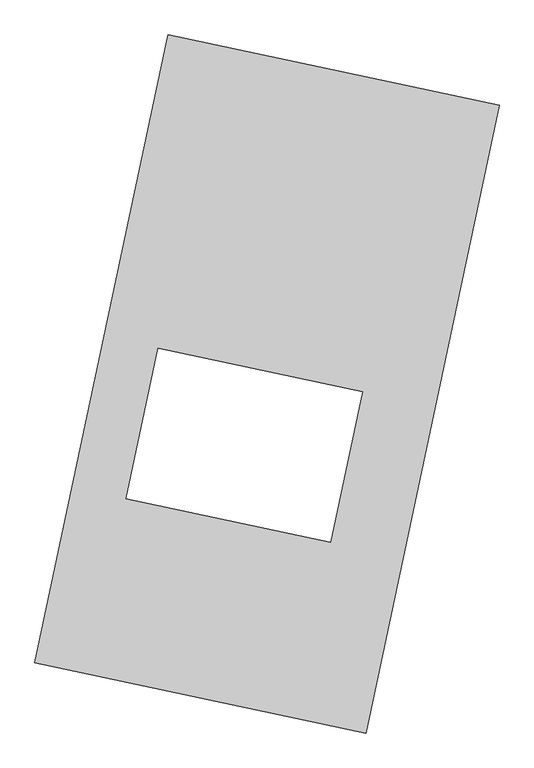
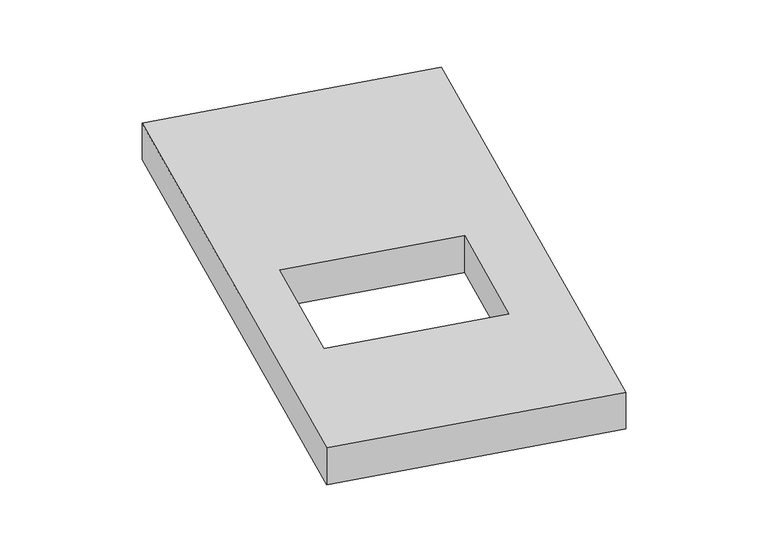
"""IFC4 building model written with IfcOpenShell, lengths in millimetres: proxy geometry."""

import ifcopenshell
import ifcopenshell.guid

model = None  # the IFC model being written
_history = None  # IfcOwnerHistory: only IFC2X3 demands one
_inside = {}  # id of a spatial element -> (the spatial element, [elements in it])
_under = {}  # id of a project, library or spatial element -> (it, [spatial elements below it])
_declared = {}  # id of a project -> (the project, [libraries it declares])
_typed = {}  # id of a type object -> (the type object, [elements of that type])
_made_of = {}  # id of a material, layer set ... -> (it, [elements and type objects made of it])


def new_model(schema):
    """Start an empty IFC model of exactly this schema.

    Asked for "IFC4X3", IfcOpenShell would pick the latest addendum, in which some entities
    have other attributes; the version numbers below select the first issue.
    IFC2X3 requires an IfcOwnerHistory on every rooted entity: one is made here for all.
    """
    global model, _history
    if schema == "IFC4X3":
        model = ifcopenshell.file(schema_version=(4, 3, 0, 0))
    else:
        model = ifcopenshell.file(schema=schema)
    _inside.clear()
    _under.clear()
    _declared.clear()
    _typed.clear()
    _made_of.clear()
    _history = None
    if model.schema == "IFC2X3":
        org = make("IfcOrganization", Name="unknown")
        user = make(
            "IfcPersonAndOrganization",
            ThePerson=make("IfcPerson", FamilyName="unknown"),
            TheOrganization=org,
        )
        app = make(
            "IfcApplication",
            ApplicationDeveloper=org,
            Version="unknown",
            ApplicationFullName="unknown",
            ApplicationIdentifier="unknown",
        )
        _history = make(
            "IfcOwnerHistory",
            OwningUser=user,
            OwningApplication=app,
            ChangeAction="ADDED",
            CreationDate=0,
        )
    return model


def make(cls, **values):
    """One entity of the class cls with the attributes given. An attribute that is None is left unset."""
    return model.create_entity(
        cls, **{name: value for name, value in values.items() if value is not None}
    )


def rooted(cls, **values):
    """An entity with a GlobalId (a new one), such as an element, a storey or a relation."""
    return make(cls, GlobalId=ifcopenshell.guid.new(), OwnerHistory=_history, **values)


def si_unit(unit_type, name, prefix=None):
    """IfcSIUnit, for example si_unit("LENGTHUNIT", "METRE", prefix="MILLI")."""
    return make("IfcSIUnit", UnitType=unit_type, Prefix=prefix, Name=name)


def assignment(units):
    """IfcUnitAssignment: the units of a project."""
    return None if units is None else make("IfcUnitAssignment", Units=units)


def point(xyz):
    """IfcCartesianPoint."""
    return None if xyz is None else make("IfcCartesianPoint", Coordinates=xyz)


def direction(xyz):
    """IfcDirection."""
    return None if xyz is None else make("IfcDirection", DirectionRatios=xyz)


def frame(location, z_axis=None, x_axis=None):
    """IfcAxis2Placement3D, a coordinate frame: its origin and axes. An axis left out is left unset."""
    return make(
        "IfcAxis2Placement3D",
        Location=point(location),
        Axis=direction(z_axis),
        RefDirection=direction(x_axis),
    )


def origin():
    """The frame at (0, 0, 0) with its axes left unset."""
    return frame((0.0, 0.0, 0.0))


def origin_with_axes():
    """The frame at (0, 0, 0) with the z axis (0, 0, 1) and the x axis (1, 0, 0) written out."""
    return frame((0.0, 0.0, 0.0), z_axis=(0.0, 0.0, 1.0), x_axis=(1.0, 0.0, 0.0))


def place(relative_to, where):
    """IfcLocalPlacement: puts the frame where relative to a parent placement (None: the world)."""
    return make(
        "IfcLocalPlacement", PlacementRelTo=relative_to, RelativePlacement=where
    )


def context(
    kind, dimensions, precision=None, world=None, true_north=None, identifier=None
):
    """IfcGeometricRepresentationContext, for example the 3D "Model" context."""
    return make(
        "IfcGeometricRepresentationContext",
        ContextIdentifier=identifier,
        ContextType=kind,
        CoordinateSpaceDimension=dimensions,
        Precision=precision,
        WorldCoordinateSystem=world,
        TrueNorth=true_north,
    )


def project(units=None, contexts=None):
    """IfcProject with its units and contexts."""
    return rooted(
        "IfcProject",
        Name="project",
        RepresentationContexts=contexts,
        UnitsInContext=assignment(units),
    )


def spatial(cls, under=None, at=None, **own):
    """A site, building, storey or space (cls), placed at a placement, below another one or the project."""
    s = rooted(cls, ObjectPlacement=at, **own)
    if under is not None:
        _under.setdefault(under.id(), (under, []))[1].append(s)
    return s


def polyline(points):
    """IfcPolyline through the points."""
    return make("IfcPolyline", Points=[point(p) for p in points])


def outline(outer, holes=None, kind="AREA"):
    """IfcArbitraryClosedProfileDef: a profile drawn as a closed curve; with holes, ...WithVoids."""
    if holes is None:
        return make("IfcArbitraryClosedProfileDef", ProfileType=kind, OuterCurve=outer)
    return make(
        "IfcArbitraryProfileDefWithVoids",
        ProfileType=kind,
        OuterCurve=outer,
        InnerCurves=holes,
    )


def extrude(swept, where, along, depth):
    """IfcExtrudedAreaSolid: the profile swept, set in the frame where, extruded along a direction by depth."""
    return make(
        "IfcExtrudedAreaSolid",
        SweptArea=swept,
        Position=where,
        ExtrudedDirection=direction(along),
        Depth=depth,
    )


def shape(context_of_items, identifier, shape_type, items):
    """IfcShapeRepresentation: the items that make up one representation, for example the "Body"."""
    return make(
        "IfcShapeRepresentation",
        ContextOfItems=context_of_items,
        RepresentationIdentifier=identifier,
        RepresentationType=shape_type,
        Items=items,
    )


def source(mapping_origin, context_of_items, identifier, shape_type, items):
    """IfcRepresentationMap: a shape defined once, which mapped items show again and again."""
    return make(
        "IfcRepresentationMap",
        MappingOrigin=mapping_origin,
        MappedRepresentation=shape(context_of_items, identifier, shape_type, items),
    )


def transform(
    local_origin,
    x_axis=None,
    y_axis=None,
    z_axis=None,
    scale=None,
    scale2=None,
    scale3=None,
    uniform=True,
):
    """IfcCartesianTransformationOperator3D, or its non-uniform kind. x_axis, y_axis, z_axis: its Axis1, 2, 3."""
    if uniform:
        return make(
            "IfcCartesianTransformationOperator3D",
            Axis1=direction(x_axis),
            Axis2=direction(y_axis),
            LocalOrigin=point(local_origin),
            Scale=scale,
            Axis3=direction(z_axis),
        )
    return make(
        "IfcCartesianTransformationOperator3DnonUniform",
        Axis1=direction(x_axis),
        Axis2=direction(y_axis),
        LocalOrigin=point(local_origin),
        Scale=scale,
        Axis3=direction(z_axis),
        Scale2=scale2,
        Scale3=scale3,
    )


def mapped(mapping_source, mapping_target):
    """IfcMappedItem: shows the shape of a source again, moved by a transform."""
    return make(
        "IfcMappedItem", MappingSource=mapping_source, MappingTarget=mapping_target
    )


def made_of(thing, what):
    """Note that an element or type object is made of a material, layer set ...; save() writes the relation."""
    if what is not None:
        _made_of.setdefault(what.id(), (what, []))[1].append(thing)
    return thing


def element(
    cls,
    number,
    at=None,
    inside=None,
    cuts=None,
    type_object=None,
    material=None,
    context=None,
    identifier="Body",
    shape_type=None,
    held_by="IfcProductDefinitionShape",
    body=None,
    shapes=None,
    **own,
):
    """One element of the class cls, such as IfcWall. Its Tag is "e" and its number.

    at: its placement. inside: the storey or other place that contains it. cuts: it is an
    opening in that element (IfcRelVoidsElement). A single representation is given by context,
    identifier, shape_type and body (its items); several are given by shapes. held_by: the class
    of the entity that holds the representations. save() writes the other relations.
    """
    e = rooted(cls, Tag="e%d" % number, ObjectPlacement=at, **own)
    if body is not None:
        shapes = [shape(context, identifier, shape_type, body)]
    if shapes is not None:
        e.Representation = make(held_by, Representations=shapes)
    if inside is not None:
        _inside.setdefault(inside.id(), (inside, []))[1].append(e)
    if cuts is not None:
        rooted(
            "IfcRelVoidsElement", RelatingBuildingElement=cuts, RelatedOpeningElement=e
        )
    if type_object is not None:
        _typed.setdefault(type_object.id(), (type_object, []))[1].append(e)
    return made_of(e, material)


def aggregate(whole, parts):
    """IfcRelAggregates: a whole, such as a stair, and the parts it consists of."""
    return rooted("IfcRelAggregates", RelatingObject=whole, RelatedObjects=parts)


def save(model, path):
    """Write the relations noted so far, then the file.

    IfcRelAggregates (storeys below a building ...), IfcRelContainedInSpatialStructure (elements
    in a storey), IfcRelDefinesByType, IfcRelAssociatesMaterial and IfcRelDeclares: one each for
    every whole, place, type object, material and project.
    """
    for whole, parts in _under.values():
        aggregate(whole, parts)
    for where, things in _inside.values():
        rooted(
            "IfcRelContainedInSpatialStructure",
            RelatedElements=things,
            RelatingStructure=where,
        )
    for kind, things in _typed.values():
        rooted("IfcRelDefinesByType", RelatedObjects=things, RelatingType=kind)
    for what, things in _made_of.values():
        rooted("IfcRelAssociatesMaterial", RelatedObjects=things, RelatingMaterial=what)
    for by, libraries in _declared.values():
        rooted("IfcRelDeclares", RelatingContext=by, RelatedDefinitions=libraries)
    model.write(path)


def generic_models_e67b6548(model_context):
    return source(origin(), model_context, "Body", "SweptSolid", [
        extrude(outline(polyline([(-617.3692021, 2175.5580432), (1447.7508745, 1737.3010494), (617.3692021, -2175.5580432), (-1447.7508745, -1737.3010494), (-617.3692021, 2175.5580432)]), holes=[polyline([(596.6130116, -47.671523), (-678.9511949, 223.0269903), (-878.3611547, -716.6169111), (397.2030518, -987.3154243), (596.6130116, -47.671523)])]), origin_with_axes(), (0.0, 0.0, 1.0), 300.0),
    ])


if __name__ == "__main__":
    model = new_model("IFC4")
    model_context = context("Model", 3, world=origin())
    ifc_project = project(units=[si_unit("LENGTHUNIT", "METRE", prefix="MILLI")], contexts=[model_context])
    site = spatial("IfcSite", under=ifc_project)
    building = spatial("IfcBuilding", under=site)
    placement = place(None, origin())
    generic_models_shape = generic_models_e67b6548(model_context)
    element("IfcBuildingElementProxy", 1, Name="Generic Models", at=placement, inside=building, context=model_context, shape_type="MappedRepresentation", body=[
        mapped(generic_models_shape, transform((0.0, 0.0, 0.0), x_axis=(1.0, 0.0, 0.0), y_axis=(0.0, 1.0, 0.0), z_axis=(0.0, 0.0, 1.0))),
    ])
    save(model, "model.ifc")
